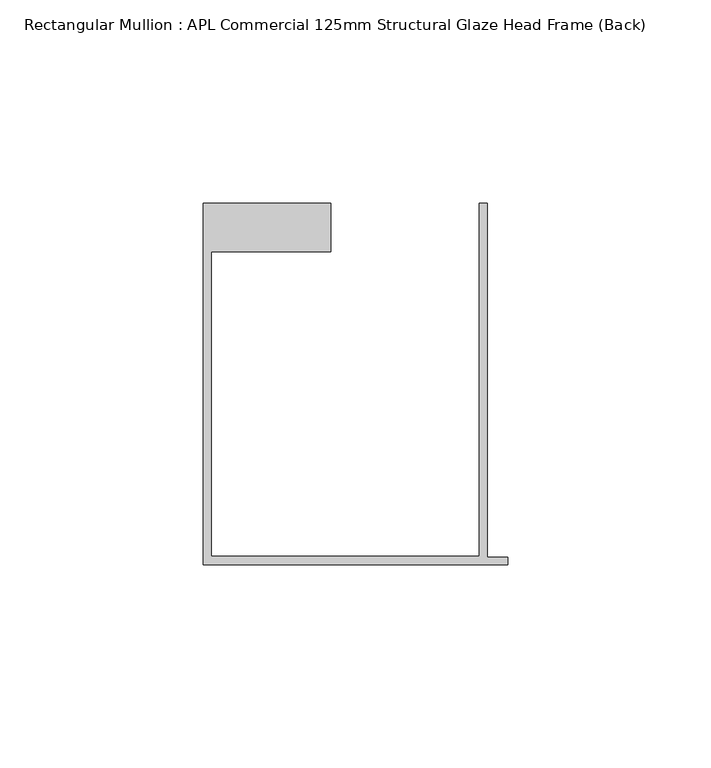
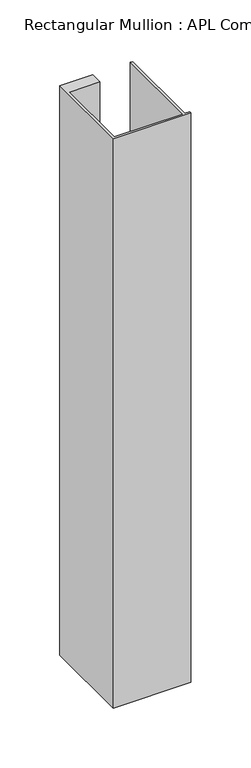
"""IFC4 building model written with IfcOpenShell, lengths in millimetres: member geometry, Rectangular Mullion : APL Commercial 125mm Structural Glaze Head Frame (Back)."""

import ifcopenshell
import ifcopenshell.guid

model = None  # the IFC model being written
_history = None  # IfcOwnerHistory: only IFC2X3 demands one
_inside = {}  # id of a spatial element -> (the spatial element, [elements in it])
_under = {}  # id of a project, library or spatial element -> (it, [spatial elements below it])
_declared = {}  # id of a project -> (the project, [libraries it declares])
_typed = {}  # id of a type object -> (the type object, [elements of that type])
_made_of = {}  # id of a material, layer set ... -> (it, [elements and type objects made of it])


def new_model(schema):
    """Start an empty IFC model of exactly this schema.

    Asked for "IFC4X3", IfcOpenShell would pick the latest addendum, in which some entities
    have other attributes; the version numbers below select the first issue.
    IFC2X3 requires an IfcOwnerHistory on every rooted entity: one is made here for all.
    """
    global model, _history
    if schema == "IFC4X3":
        model = ifcopenshell.file(schema_version=(4, 3, 0, 0))
    else:
        model = ifcopenshell.file(schema=schema)
    _inside.clear()
    _under.clear()
    _declared.clear()
    _typed.clear()
    _made_of.clear()
    _history = None
    if model.schema == "IFC2X3":
        org = make("IfcOrganization", Name="unknown")
        user = make(
            "IfcPersonAndOrganization",
            ThePerson=make("IfcPerson", FamilyName="unknown"),
            TheOrganization=org,
        )
        app = make(
            "IfcApplication",
            ApplicationDeveloper=org,
            Version="unknown",
            ApplicationFullName="unknown",
            ApplicationIdentifier="unknown",
        )
        _history = make(
            "IfcOwnerHistory",
            OwningUser=user,
            OwningApplication=app,
            ChangeAction="ADDED",
            CreationDate=0,
        )
    return model


def make(cls, **values):
    """One entity of the class cls with the attributes given. An attribute that is None is left unset."""
    return model.create_entity(
        cls, **{name: value for name, value in values.items() if value is not None}
    )


def rooted(cls, **values):
    """An entity with a GlobalId (a new one), such as an element, a storey or a relation."""
    return make(cls, GlobalId=ifcopenshell.guid.new(), OwnerHistory=_history, **values)


def si_unit(unit_type, name, prefix=None):
    """IfcSIUnit, for example si_unit("LENGTHUNIT", "METRE", prefix="MILLI")."""
    return make("IfcSIUnit", UnitType=unit_type, Prefix=prefix, Name=name)


def assignment(units):
    """IfcUnitAssignment: the units of a project."""
    return None if units is None else make("IfcUnitAssignment", Units=units)


def point(xyz):
    """IfcCartesianPoint."""
    return None if xyz is None else make("IfcCartesianPoint", Coordinates=xyz)


def direction(xyz):
    """IfcDirection."""
    return None if xyz is None else make("IfcDirection", DirectionRatios=xyz)


def frame(location, z_axis=None, x_axis=None):
    """IfcAxis2Placement3D, a coordinate frame: its origin and axes. An axis left out is left unset."""
    return make(
        "IfcAxis2Placement3D",
        Location=point(location),
        Axis=direction(z_axis),
        RefDirection=direction(x_axis),
    )


def origin():
    """The frame at (0, 0, 0) with its axes left unset."""
    return frame((0.0, 0.0, 0.0))


def place(relative_to, where):
    """IfcLocalPlacement: puts the frame where relative to a parent placement (None: the world)."""
    return make(
        "IfcLocalPlacement", PlacementRelTo=relative_to, RelativePlacement=where
    )


def context(
    kind, dimensions, precision=None, world=None, true_north=None, identifier=None
):
    """IfcGeometricRepresentationContext, for example the 3D "Model" context."""
    return make(
        "IfcGeometricRepresentationContext",
        ContextIdentifier=identifier,
        ContextType=kind,
        CoordinateSpaceDimension=dimensions,
        Precision=precision,
        WorldCoordinateSystem=world,
        TrueNorth=true_north,
    )


def project(units=None, contexts=None):
    """IfcProject with its units and contexts."""
    return rooted(
        "IfcProject",
        Name="project",
        RepresentationContexts=contexts,
        UnitsInContext=assignment(units),
    )


def spatial(cls, under=None, at=None, **own):
    """A site, building, storey or space (cls), placed at a placement, below another one or the project."""
    s = rooted(cls, ObjectPlacement=at, **own)
    if under is not None:
        _under.setdefault(under.id(), (under, []))[1].append(s)
    return s


def polyline(points):
    """IfcPolyline through the points."""
    return make("IfcPolyline", Points=[point(p) for p in points])


def outline(outer, holes=None, kind="AREA"):
    """IfcArbitraryClosedProfileDef: a profile drawn as a closed curve; with holes, ...WithVoids."""
    if holes is None:
        return make("IfcArbitraryClosedProfileDef", ProfileType=kind, OuterCurve=outer)
    return make(
        "IfcArbitraryProfileDefWithVoids",
        ProfileType=kind,
        OuterCurve=outer,
        InnerCurves=holes,
    )


def extrude(swept, where, along, depth):
    """IfcExtrudedAreaSolid: the profile swept, set in the frame where, extruded along a direction by depth."""
    return make(
        "IfcExtrudedAreaSolid",
        SweptArea=swept,
        Position=where,
        ExtrudedDirection=direction(along),
        Depth=depth,
    )


def shape(context_of_items, identifier, shape_type, items):
    """IfcShapeRepresentation: the items that make up one representation, for example the "Body"."""
    return make(
        "IfcShapeRepresentation",
        ContextOfItems=context_of_items,
        RepresentationIdentifier=identifier,
        RepresentationType=shape_type,
        Items=items,
    )


def source(mapping_origin, context_of_items, identifier, shape_type, items):
    """IfcRepresentationMap: a shape defined once, which mapped items show again and again."""
    return make(
        "IfcRepresentationMap",
        MappingOrigin=mapping_origin,
        MappedRepresentation=shape(context_of_items, identifier, shape_type, items),
    )


def transform(
    local_origin,
    x_axis=None,
    y_axis=None,
    z_axis=None,
    scale=None,
    scale2=None,
    scale3=None,
    uniform=True,
):
    """IfcCartesianTransformationOperator3D, or its non-uniform kind. x_axis, y_axis, z_axis: its Axis1, 2, 3."""
    if uniform:
        return make(
            "IfcCartesianTransformationOperator3D",
            Axis1=direction(x_axis),
            Axis2=direction(y_axis),
            LocalOrigin=point(local_origin),
            Scale=scale,
            Axis3=direction(z_axis),
        )
    return make(
        "IfcCartesianTransformationOperator3DnonUniform",
        Axis1=direction(x_axis),
        Axis2=direction(y_axis),
        LocalOrigin=point(local_origin),
        Scale=scale,
        Axis3=direction(z_axis),
        Scale2=scale2,
        Scale3=scale3,
    )


def mapped(mapping_source, mapping_target):
    """IfcMappedItem: shows the shape of a source again, moved by a transform."""
    return make(
        "IfcMappedItem", MappingSource=mapping_source, MappingTarget=mapping_target
    )


def made_of(thing, what):
    """Note that an element or type object is made of a material, layer set ...; save() writes the relation."""
    if what is not None:
        _made_of.setdefault(what.id(), (what, []))[1].append(thing)
    return thing


def element(
    cls,
    number,
    at=None,
    inside=None,
    cuts=None,
    type_object=None,
    material=None,
    context=None,
    identifier="Body",
    shape_type=None,
    held_by="IfcProductDefinitionShape",
    body=None,
    shapes=None,
    **own,
):
    """One element of the class cls, such as IfcWall. Its Tag is "e" and its number.

    at: its placement. inside: the storey or other place that contains it. cuts: it is an
    opening in that element (IfcRelVoidsElement). A single representation is given by context,
    identifier, shape_type and body (its items); several are given by shapes. held_by: the class
    of the entity that holds the representations. save() writes the other relations.
    """
    e = rooted(cls, Tag="e%d" % number, ObjectPlacement=at, **own)
    if body is not None:
        shapes = [shape(context, identifier, shape_type, body)]
    if shapes is not None:
        e.Representation = make(held_by, Representations=shapes)
    if inside is not None:
        _inside.setdefault(inside.id(), (inside, []))[1].append(e)
    if cuts is not None:
        rooted(
            "IfcRelVoidsElement", RelatingBuildingElement=cuts, RelatedOpeningElement=e
        )
    if type_object is not None:
        _typed.setdefault(type_object.id(), (type_object, []))[1].append(e)
    return made_of(e, material)


def aggregate(whole, parts):
    """IfcRelAggregates: a whole, such as a stair, and the parts it consists of."""
    return rooted("IfcRelAggregates", RelatingObject=whole, RelatedObjects=parts)


def save(model, path):
    """Write the relations noted so far, then the file.

    IfcRelAggregates (storeys below a building ...), IfcRelContainedInSpatialStructure (elements
    in a storey), IfcRelDefinesByType, IfcRelAssociatesMaterial and IfcRelDeclares: one each for
    every whole, place, type object, material and project.
    """
    for whole, parts in _under.values():
        aggregate(whole, parts)
    for where, things in _inside.values():
        rooted(
            "IfcRelContainedInSpatialStructure",
            RelatedElements=things,
            RelatingStructure=where,
        )
    for kind, things in _typed.values():
        rooted("IfcRelDefinesByType", RelatedObjects=things, RelatingType=kind)
    for what, things in _made_of.values():
        rooted("IfcRelAssociatesMaterial", RelatedObjects=things, RelatingMaterial=what)
    for by, libraries in _declared.values():
        rooted("IfcRelDeclares", RelatingContext=by, RelatedDefinitions=libraries)
    model.write(path)


def rectangular_mullion_apl_commercial_125mm_structural_glaze_913c2ef7(model_context):
    return source(origin(), model_context, "Body", "SweptSolid", [
        extrude(outline(polyline([(-75.0, -103.9993063), (-75.0, -14.9998342), (-43.5000151, -14.9998342), (-43.5000151, -26.9997514), (-73.0, -26.9997514), (-73.0, -101.9993063), (-7.0, -101.9993063), (-7.0, -14.9998342), (-5.0, -14.9998342), (-5.0, -102.1993063), (0.0, -102.1993063), (0.0, -103.9993063), (-75.0, -103.9993063)])), frame((0.0, 0.0, -580.3999477), z_axis=(0.0, 0.0, 1.0), x_axis=(1.0, 0.0, 0.0)), (0.0, 0.0, 1.0), 580.3999477),
    ])


if __name__ == "__main__":
    model = new_model("IFC4")
    model_context = context("Model", 3, world=origin())
    ifc_project = project(units=[si_unit("LENGTHUNIT", "METRE", prefix="MILLI")], contexts=[model_context])
    site = spatial("IfcSite", under=ifc_project)
    building = spatial("IfcBuilding", under=site)
    placement = place(None, origin())
    rectangular_mullion_apl_commercial_125mm_structural_glaze_shape = rectangular_mullion_apl_commercial_125mm_structural_glaze_913c2ef7(model_context)
    element("IfcMember", 1, ObjectType="Rectangular Mullion : APL Commercial 125mm Structural Glaze Head Frame (Back)", at=placement, inside=building, context=model_context, shape_type="MappedRepresentation", body=[
        mapped(rectangular_mullion_apl_commercial_125mm_structural_glaze_shape, transform((0.0, 0.0, 0.0), x_axis=(1.0, 0.0, 0.0), y_axis=(0.0, 1.0, 0.0), z_axis=(0.0, 0.0, 1.0))),
    ])
    save(model, "model.ifc")
